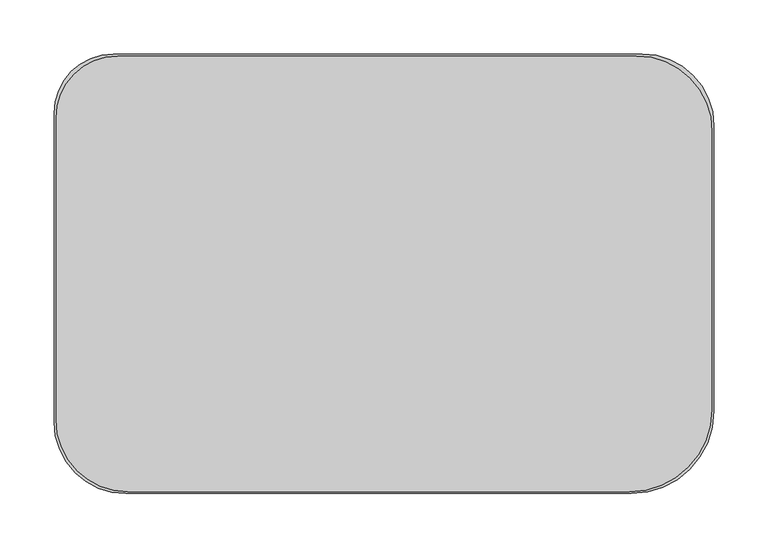
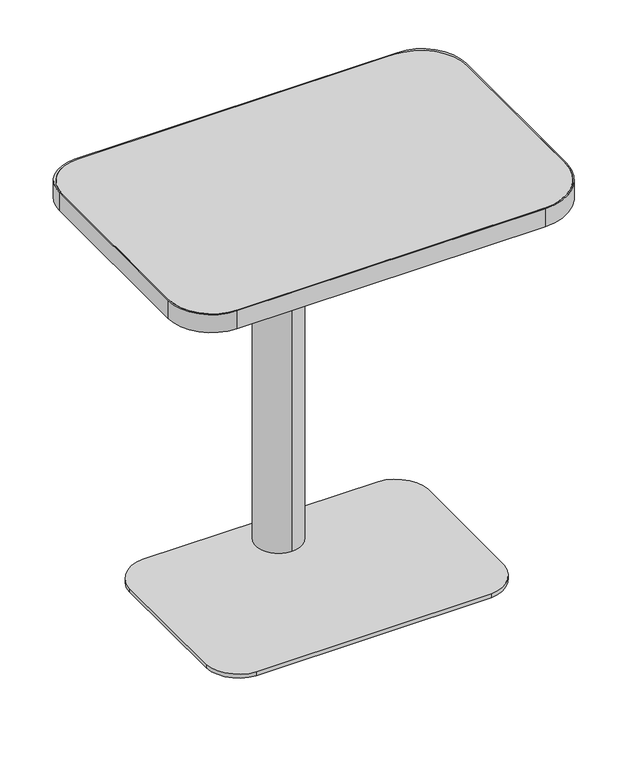
"""IFC4 building model written with IfcOpenShell, lengths in millimetres: furniture geometry."""

from ifc_helpers import new_model, si_unit, point, frame, frame_2d, origin, origin_with_axes, place, context, project, spatial, polyline, circle_curve, trimmed, segment, composite_curve, outline, extrude, source, transform, mapped, element, save


def furniture_7e76d99c(model_context):
    return source(origin(), model_context, "Body", "SweptSolid", [
        extrude(outline(composite_curve([segment(trimmed(circle_curve(frame_2d((-5.9300644, -2692.093665)), 2846.0019613), [point((-178.2440411, 148.6870477))], [point((178.4969275, 147.9263787))], False, "CARTESIAN"), True, "CONTINUOUS"), segment(trimmed(circle_curve(frame_2d((175.2049793, 97.2331536)), 50.8), [point((178.4969275, 147.9263787))], [point((225.9443662, 99.7140041))], False, "CARTESIAN"), True, "CONTINUOUS"), segment(trimmed(circle_curve(frame_2d((-1744.5856502, 3.3669515)), 1972.8840057), [point((225.9443662, 99.7140041))], [point((225.5930691, -99.9147698))], False, "CARTESIAN"), True, "CONTINUOUS"), segment(trimmed(circle_curve(frame_2d((174.8627278, -97.2553578)), 50.8), [point((225.5930691, -99.9147698))], [point((178.148456, -147.9489865))], False, "CARTESIAN"), True, "CONTINUOUS"), segment(trimmed(circle_curve(frame_2d((-5.9300644, 2692.093665)), 2846.0019613), [point((178.148456, -147.9489865))], [point((-177.8929558, -148.7083218))], False, "CARTESIAN"), True, "CONTINUOUS"), segment(trimmed(circle_curve(frame_2d((-174.8234868, -98.0011393)), 50.8), [point((-177.8929558, -148.7083218))], [point((-225.5527909, -100.680262))], False, "CARTESIAN"), True, "CONTINUOUS"), segment(trimmed(circle_curve(frame_2d((1744.5856502, 3.3669515)), 1972.8840057), [point((-225.5527909, -100.680262))], [point((-225.9067229, 100.4808408))], False, "CARTESIAN"), True, "CONTINUOUS"), segment(trimmed(circle_curve(frame_2d((-175.1683053, 97.9802449)), 50.8), [point((-225.9067229, 100.4808408))], [point((-178.2440411, 148.6870477))], False, "CARTESIAN"), True, "CONTINUOUS")], self_intersect=False)), frame((0.0, 0.0, 9.144), z_axis=(0.0, 0.0, 1.0), x_axis=(1.0, 0.0, 0.0)), (0.0, 0.0, 1.0), 6.144991),
        extrude(outline(polyline([(73.0251938, 187.4842442), (85.725, 174.7844379), (85.725, 22.3842442), (73.0250084, 9.6842525), (-79.375, 9.6842525), (-92.0748062, 22.3840587), (-92.0748062, 174.7842442), (-79.3748062, 187.4842442), (73.0251938, 187.4842442)])), frame((0.0, 0.0, 612.44588), z_axis=(0.0, 0.0, 1.0), x_axis=(1.0, 0.0, 0.0)), (0.0, 0.0, 1.0), 6.3487138),
        extrude(outline(composite_curve([segment(trimmed(circle_curve(frame_2d((0.0, 100.8114366)), 34.6855776), [point((0.0, 135.4970142))], [point((0.0, 66.125859))], False, "CARTESIAN"), True, "CONTINUOUS"), segment(trimmed(circle_curve(frame_2d((0.0, 100.8114366)), 34.6855776), [point((0.0, 66.125859))], [point((0.0, 135.4970142))], False, "CARTESIAN"), True, "CONTINUOUS")], self_intersect=False)), frame((0.0, 0.0, 15.288991), z_axis=(0.0, 0.0, 1.0), x_axis=(1.0, 0.0, 0.0)), (0.0, 0.0, 1.0), 597.156889),
        extrude(outline(composite_curve([segment(trimmed(circle_curve(frame_2d((169.1196496, 97.4626493)), 25.4), [point((169.1196496, 122.8626493))], [point((169.1196496, 72.0626493))], False, "CARTESIAN"), True, "CONTINUOUS"), segment(trimmed(circle_curve(frame_2d((169.1196496, 97.4626493)), 25.4), [point((169.1196496, 72.0626493))], [point((169.1196496, 122.8626493))], False, "CARTESIAN"), True, "CONTINUOUS")], self_intersect=False)), origin_with_axes(), (0.0, 0.0, 1.0), 9.144),
        extrude(outline(composite_curve([segment(trimmed(circle_curve(frame_2d((-169.1196496, 97.4626493)), 25.4), [point((-169.1196496, 122.8626493))], [point((-169.1196496, 72.0626493))], False, "CARTESIAN"), True, "CONTINUOUS"), segment(trimmed(circle_curve(frame_2d((-169.1196496, 97.4626493)), 25.4), [point((-169.1196496, 72.0626493))], [point((-169.1196496, 122.8626493))], False, "CARTESIAN"), True, "CONTINUOUS")], self_intersect=False)), origin_with_axes(), (0.0, 0.0, 1.0), 9.144),
        extrude(outline(composite_curve([segment(trimmed(circle_curve(frame_2d((169.1196496, -97.4626493)), 25.4), [point((169.1196496, -72.0626493))], [point((169.1196496, -122.8626493))], False, "CARTESIAN"), True, "CONTINUOUS"), segment(trimmed(circle_curve(frame_2d((169.1196496, -97.4626493)), 25.4), [point((169.1196496, -122.8626493))], [point((169.1196496, -72.0626493))], False, "CARTESIAN"), True, "CONTINUOUS")], self_intersect=False)), origin_with_axes(), (0.0, 0.0, 1.0), 9.144),
        extrude(outline(composite_curve([segment(trimmed(circle_curve(frame_2d((-169.1196496, -97.4626493)), 25.4), [point((-169.1196496, -72.0626493))], [point((-169.1196496, -122.8626493))], False, "CARTESIAN"), True, "CONTINUOUS"), segment(trimmed(circle_curve(frame_2d((-169.1196496, -97.4626493)), 25.4), [point((-169.1196496, -122.8626493))], [point((-169.1196496, -72.0626493))], False, "CARTESIAN"), True, "CONTINUOUS")], self_intersect=False)), origin_with_axes(), (0.0, 0.0, 1.0), 9.144),
        extrude(outline(composite_curve([segment(trimmed(circle_curve(frame_2d((233.1718094, 131.572)), 69.85), [point((233.1718094, 201.422))], [point((303.0218094, 131.572))], False, "CARTESIAN"), True, "CONTINUOUS"), segment(polyline([(303.0218094, 131.572), (303.0218094, -125.2825839)]), True, "CONTINUOUS"), segment(trimmed(circle_curve(frame_2d((226.8218094, -125.2825839)), 76.2), [point((303.0218094, -125.2825839))], [point((226.8218094, -201.4825839))], False, "CARTESIAN"), True, "CONTINUOUS"), segment(polyline([(226.8218094, -201.4825839), (-236.5935673, -201.4825839)]), True, "CONTINUOUS"), segment(trimmed(circle_curve(frame_2d((-236.5935673, -135.0543418)), 66.4282421), [point((-236.5935673, -201.4825839))], [point((-303.0218094, -135.0543418))], False, "CARTESIAN"), True, "CONTINUOUS"), segment(polyline([(-303.0218094, -135.0543418), (-303.0218094, 144.272)]), True, "CONTINUOUS"), segment(trimmed(circle_curve(frame_2d((-245.8718094, 144.272)), 57.15), [point((-303.0218094, 144.272))], [point((-245.8718094, 201.422))], False, "CARTESIAN"), True, "CONTINUOUS"), segment(polyline([(-245.8718094, 201.422), (233.1718094, 201.422)]), True, "CONTINUOUS")], self_intersect=False)), frame((0.0, 0.0, 618.7946907), z_axis=(0.0, 0.0, 1.0), x_axis=(1.0, 0.0, 0.0)), (0.0, 0.0, 1.0), 28.5749516),
        extrude(outline(composite_curve([segment(trimmed(circle_curve(frame_2d((238.5708584, 136.9708584)), 66.2291416), [point((238.5708584, 203.2))], [point((304.8, 136.9708584))], False, "CARTESIAN"), True, "CONTINUOUS"), segment(polyline([(304.8, 136.9708584), (304.8, -127.0)]), True, "CONTINUOUS"), segment(trimmed(circle_curve(frame_2d((228.6, -127.0)), 76.2), [point((304.8, -127.0))], [point((228.6, -203.2))], False, "CARTESIAN"), True, "CONTINUOUS"), segment(polyline([(228.6, -203.2), (-238.8237039, -203.2)]), True, "CONTINUOUS"), segment(trimmed(circle_curve(frame_2d((-238.8237039, -137.2237039)), 65.9762961), [point((-238.8237039, -203.2))], [point((-304.8, -137.2237039))], False, "CARTESIAN"), True, "CONTINUOUS"), segment(polyline([(-304.8, -137.2237039), (-304.8, 148.4773778)]), True, "CONTINUOUS"), segment(trimmed(circle_curve(frame_2d((-250.0773778, 148.4773778)), 54.7226222), [point((-304.8, 148.4773778))], [point((-250.0773778, 203.2))], False, "CARTESIAN"), True, "CONTINUOUS"), segment(polyline([(-250.0773778, 203.2), (238.5708584, 203.2)]), True, "CONTINUOUS")], self_intersect=False), holes=[composite_curve([segment(polyline([(-303.0218094, 144.272), (-303.0218094, -135.0543418)]), True, "CONTINUOUS"), segment(trimmed(circle_curve(frame_2d((-236.5935673, -135.0543418)), 66.4282421), [point((-303.0218094, -135.0543418))], [point((-236.5935673, -201.4825839))], True, "CARTESIAN"), True, "CONTINUOUS"), segment(polyline([(-236.5935673, -201.4825839), (226.8218094, -201.4825839)]), True, "CONTINUOUS"), segment(trimmed(circle_curve(frame_2d((226.8218094, -125.2825839)), 76.2), [point((226.8218094, -201.4825839))], [point((303.0218094, -125.2825839))], True, "CARTESIAN"), True, "CONTINUOUS"), segment(polyline([(303.0218094, -125.2825839), (303.0218094, 131.572)]), True, "CONTINUOUS"), segment(trimmed(circle_curve(frame_2d((233.1718094, 131.572)), 69.85), [point((303.0218094, 131.572))], [point((233.1718094, 201.422))], True, "CARTESIAN"), True, "CONTINUOUS"), segment(polyline([(233.1718094, 201.422), (-245.8718094, 201.422)]), True, "CONTINUOUS"), segment(trimmed(circle_curve(frame_2d((-245.8718094, 144.272)), 57.15), [point((-245.8718094, 201.422))], [point((-303.0218094, 144.272))], True, "CARTESIAN"), True, "CONTINUOUS")], self_intersect=False)]), frame((0.0, 0.0, 618.7946907), z_axis=(0.0, 0.0, 1.0), x_axis=(1.0, 0.0, 0.0)), (0.0, 0.0, 1.0), 28.5749516),
    ])


if __name__ == "__main__":
    model = new_model("IFC4")
    model_context = context("Model", 3, world=origin())
    ifc_project = project(units=[si_unit("LENGTHUNIT", "METRE", prefix="MILLI")], contexts=[model_context])
    site = spatial("IfcSite", under=ifc_project)
    building = spatial("IfcBuilding", under=site)
    placement = place(None, origin())
    furniture_shape = furniture_7e76d99c(model_context)
    element("IfcFurniture", 1, at=placement, inside=building, context=model_context, shape_type="MappedRepresentation", body=[
        mapped(furniture_shape, transform((0.0, 0.0, 0.0), x_axis=(1.0, 0.0, 0.0), y_axis=(0.0, 1.0, 0.0), z_axis=(0.0, 0.0, 1.0))),
    ])
    save(model, "model.ifc")
